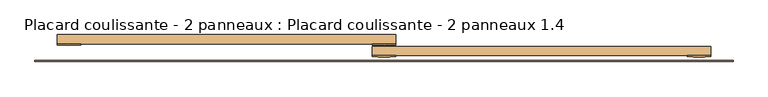
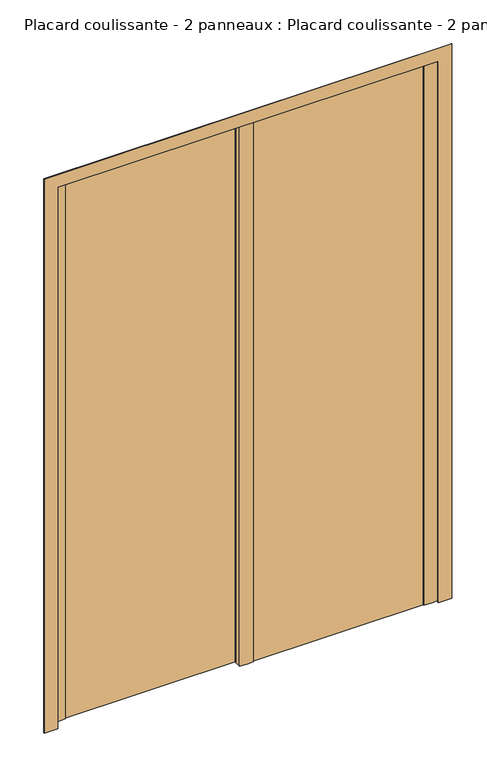
"""IFC4 building model written with IfcOpenShell, lengths in millimetres: door geometry, Placard coulissante - 2 panneaux : Placard coulissante - 2 panneaux 1.4."""

from ifc_helpers import new_model, si_unit, point, frame, frame_2d, origin, origin_with_axes, place, context, project, spatial, polyline, circle_curve, trimmed, segment, composite_curve, outline, extrude, source, transform, mapped, element, save


def placard_coulissante_2_panneaux_placard_coulissante_2_9fa88ba1(model_context):
    return source(origin(), model_context, "Body", "SweptSolid", [
        extrude(outline(composite_curve([segment(polyline([(700.0, -15.0), (700.0, -17.0)]), True, "CONTINUOUS"), segment(trimmed(circle_curve(frame_2d((675.0, 196.8603852)), 215.3166607), [point((700.0, -17.0))], [point((650.0, -17.0))], False, "CARTESIAN"), True, "CONTINUOUS"), segment(polyline([(650.0, -17.0), (650.0, -15.0), (700.0, -15.0)]), True, "CONTINUOUS")], self_intersect=False)), origin_with_axes(), (0.0, 0.0, 1.0), 2100.0),
        extrude(outline(composite_curve([segment(polyline([(25.0, -15.0), (25.0, -17.0)]), True, "CONTINUOUS"), segment(trimmed(circle_curve(frame_2d((0.0, 196.8603852)), 215.3166607), [point((25.0, -17.0))], [point((-25.0, -17.0))], False, "CARTESIAN"), True, "CONTINUOUS"), segment(polyline([(-25.0, -17.0), (-25.0, -15.0), (25.0, -15.0)]), True, "CONTINUOUS")], self_intersect=False)), origin_with_axes(), (0.0, 0.0, 1.0), 2100.0),
        extrude(outline(composite_curve([segment(polyline([(25.0, 10.0), (25.0, 8.0)]), True, "CONTINUOUS"), segment(trimmed(circle_curve(frame_2d((0.0, 221.8603852)), 215.3166607), [point((25.0, 8.0))], [point((-25.0, 8.0))], False, "CARTESIAN"), True, "CONTINUOUS"), segment(polyline([(-25.0, 8.0), (-25.0, 10.0), (25.0, 10.0)]), True, "CONTINUOUS")], self_intersect=False)), origin_with_axes(), (0.0, 0.0, 1.0), 2100.0),
        extrude(outline(composite_curve([segment(polyline([(-650.0, 10.0), (-650.0, 8.0)]), True, "CONTINUOUS"), segment(trimmed(circle_curve(frame_2d((-675.0, 221.8603852)), 215.3166607), [point((-650.0, 8.0))], [point((-700.0, 8.0))], False, "CARTESIAN"), True, "CONTINUOUS"), segment(polyline([(-700.0, 8.0), (-700.0, 10.0), (-650.0, 10.0)]), True, "CONTINUOUS")], self_intersect=False)), origin_with_axes(), (0.0, 0.0, 1.0), 2100.0),
        extrude(outline(polyline([(0.0, -748.0), (0.0, -698.0), (2098.0, -698.0), (2098.0, 698.0), (0.0, 698.0), (0.0, 748.0), (2148.0, 748.0), (2148.0, -748.0), (0.0, -748.0)])), frame((0.0, -28.0, 0.0), z_axis=(0.0, 1.0, 0.0), x_axis=(0.0, 0.0, 1.0)), (0.0, 0.0, 1.0), 3.0),
        extrude(outline(polyline([(700.0, -15.0), (-25.0, -15.0), (-25.0, 5.0), (700.0, 5.0), (700.0, -15.0)])), origin_with_axes(), (0.0, 0.0, 1.0), 2100.0),
        extrude(outline(polyline([(25.0, 10.0), (-700.0, 10.0), (-700.0, 30.0), (25.0, 30.0), (25.0, 10.0)])), origin_with_axes(), (0.0, 0.0, 1.0), 2100.0),
    ])


if __name__ == "__main__":
    model = new_model("IFC4")
    model_context = context("Model", 3, world=origin())
    ifc_project = project(units=[si_unit("LENGTHUNIT", "METRE", prefix="MILLI")], contexts=[model_context])
    site = spatial("IfcSite", under=ifc_project)
    building = spatial("IfcBuilding", under=site)
    placement = place(None, origin())
    placard_coulissante_2_panneaux_placard_coulissante_2_shape = placard_coulissante_2_panneaux_placard_coulissante_2_9fa88ba1(model_context)
    element("IfcDoor", 1, ObjectType="Placard coulissante - 2 panneaux : Placard coulissante - 2 panneaux 1.4", at=placement, inside=building, context=model_context, shape_type="MappedRepresentation", body=[
        mapped(placard_coulissante_2_panneaux_placard_coulissante_2_shape, transform((0.0, 0.0, 0.0), x_axis=(1.0, 0.0, 0.0), y_axis=(0.0, 1.0, 0.0), z_axis=(0.0, 0.0, 1.0))),
    ])
    save(model, "model.ifc")
